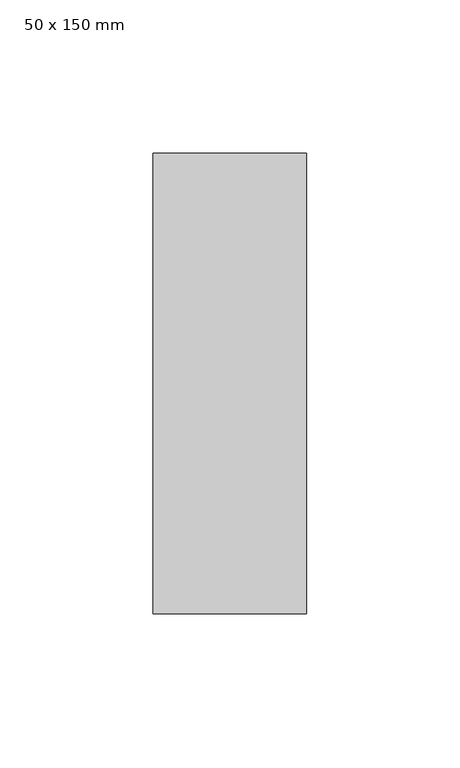
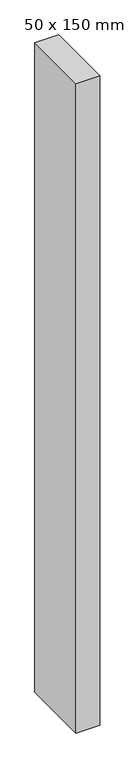
"""IFC4 building model written with IfcOpenShell, lengths in millimetres: member geometry, 50 x 150 mm."""

from ifc_helpers import new_model, si_unit, frame, origin, place, context, project, spatial, polyline, outline, extrude, source, transform, mapped, element, save


def member_50_x_150_mm_f0154c62(model_context):
    return source(origin(), model_context, "Body", "SweptSolid", [
        extrude(outline(polyline([(25.0, 75.0), (25.0, -75.0), (-25.0, -75.0), (-25.0, 75.0), (25.0, 75.0)])), frame((0.0, 0.0, -1450.0), z_axis=(0.0, 0.0, 1.0), x_axis=(1.0, 0.0, 0.0)), (0.0, 0.0, 1.0), 1450.0),
    ])


if __name__ == "__main__":
    model = new_model("IFC4")
    model_context = context("Model", 3, world=origin())
    ifc_project = project(units=[si_unit("LENGTHUNIT", "METRE", prefix="MILLI")], contexts=[model_context])
    site = spatial("IfcSite", under=ifc_project)
    building = spatial("IfcBuilding", under=site)
    placement = place(None, origin())
    member_50_x_150_mm_shape = member_50_x_150_mm_f0154c62(model_context)
    element("IfcMember", 1, ObjectType="50 x 150 mm", at=placement, inside=building, context=model_context, shape_type="MappedRepresentation", body=[
        mapped(member_50_x_150_mm_shape, transform((0.0, 0.0, 0.0), x_axis=(1.0, 0.0, 0.0), y_axis=(0.0, 1.0, 0.0), z_axis=(0.0, 0.0, 1.0))),
    ])
    save(model, "model.ifc")
